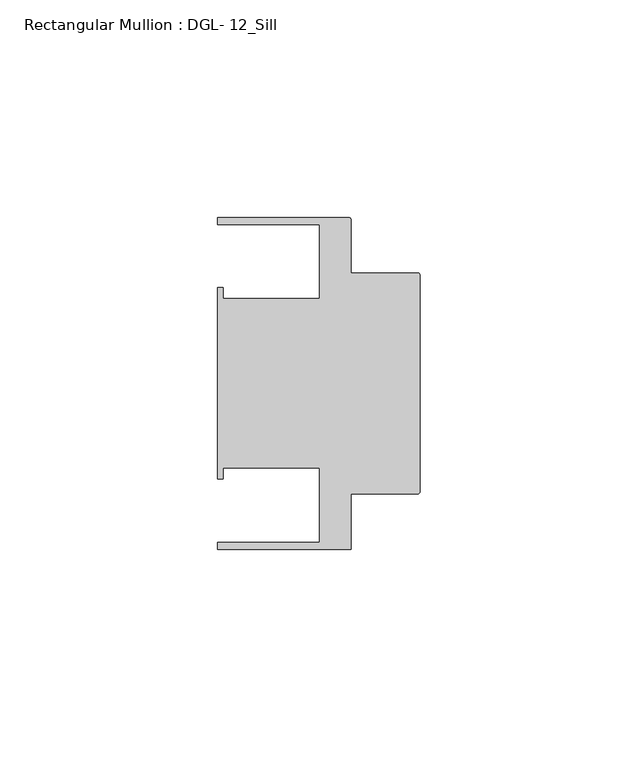
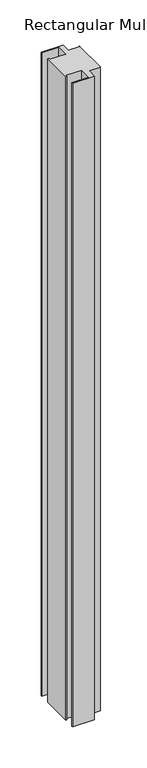
"""IFC4 building model written with IfcOpenShell, lengths in millimetres: member geometry, Rectangular Mullion : DGL- 12_Sill."""

from ifc_helpers import new_model, si_unit, point, frame, frame_2d, origin, place, context, project, spatial, polyline, circle_curve, trimmed, segment, composite_curve, outline, extrude, source, transform, mapped, element, save


def rectangular_mullion_dgl_12_sill_a4f17b36(model_context):
    return source(origin(), model_context, "Body", "SweptSolid", [
        extrude(outline(composite_curve([segment(polyline([(-0.5953125, -25.4), (-15.8750672, -25.4), (-15.8750672, -38.0996792), (-46.54296, -38.0996792), (-46.54296, -36.512516), (-23.1202791, -36.512516), (-23.1202791, -19.4824275), (-45.2865266, -19.4824275), (-45.2865266, -21.9710976), (-46.54296, -21.9710976), (-46.54296, 21.9710976), (-45.2865266, 21.9710976), (-45.2865266, 19.4824275), (-23.1202791, 19.4824275), (-23.1202791, 36.512516), (-46.54296, 36.512516), (-46.54296, 38.100016), (-16.4703797, 38.100016)]), True, "CONTINUOUS"), segment(trimmed(circle_curve(frame_2d((-16.4703797, 37.5047035)), 0.5953125), [point((-16.4703797, 38.100016))], [point((-15.8750672, 37.5047035))], False, "CARTESIAN"), True, "CONTINUOUS"), segment(polyline([(-15.8750672, 37.5047035), (-15.8750672, 25.4), (-0.5953125, 25.4)]), True, "CONTINUOUS"), segment(trimmed(circle_curve(frame_2d((-0.5953125, 24.8046875)), 0.5953125), [point((-0.5953125, 25.4))], [point((0.0, 24.8046875))], False, "CARTESIAN"), True, "CONTINUOUS"), segment(polyline([(0.0, 24.8046875), (0.0, -24.8046875)]), True, "CONTINUOUS"), segment(trimmed(circle_curve(frame_2d((-0.5953125, -24.8046875)), 0.5953125), [point((0.0, -24.8046875))], [point((-0.5953125, -25.4))], False, "CARTESIAN"), True, "CONTINUOUS")], self_intersect=False)), frame((0.0, 0.0, -953.9433142), z_axis=(0.0, 0.0, 1.0), x_axis=(1.0, 0.0, 0.0)), (0.0, 0.0, 1.0), 953.9433142),
    ])


if __name__ == "__main__":
    model = new_model("IFC4")
    model_context = context("Model", 3, world=origin())
    ifc_project = project(units=[si_unit("LENGTHUNIT", "METRE", prefix="MILLI")], contexts=[model_context])
    site = spatial("IfcSite", under=ifc_project)
    building = spatial("IfcBuilding", under=site)
    placement = place(None, origin())
    rectangular_mullion_dgl_12_sill_shape = rectangular_mullion_dgl_12_sill_a4f17b36(model_context)
    element("IfcMember", 1, ObjectType="Rectangular Mullion : DGL- 12_Sill", at=placement, inside=building, context=model_context, shape_type="MappedRepresentation", body=[
        mapped(rectangular_mullion_dgl_12_sill_shape, transform((0.0, 0.0, 0.0), x_axis=(1.0, 0.0, 0.0), y_axis=(0.0, 1.0, 0.0), z_axis=(0.0, 0.0, 1.0))),
    ])
    save(model, "model.ifc")
